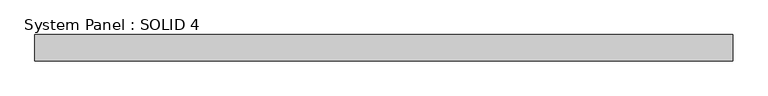
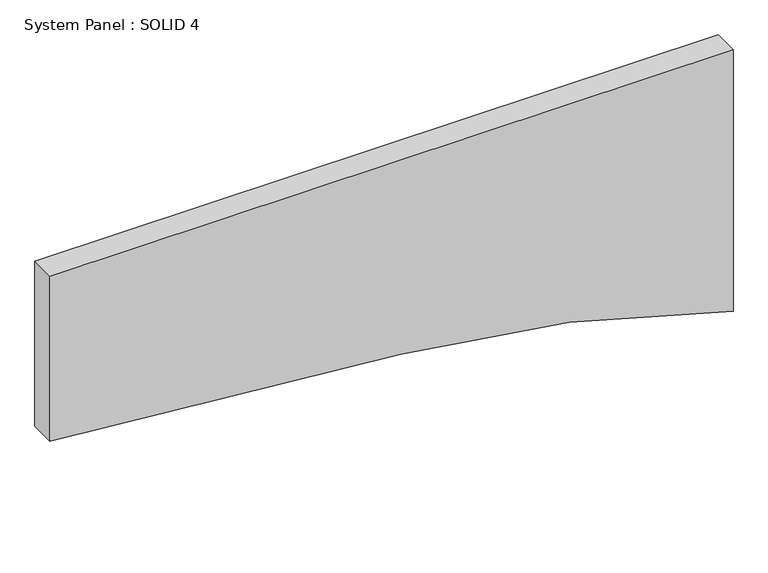
"""IFC4 building model written with IfcOpenShell, lengths in millimetres: plate geometry, System Panel : SOLID 4."""

from ifc_helpers import new_model, si_unit, point, frame, frame_2d, origin, place, context, project, spatial, polyline, circle_curve, trimmed, segment, composite_curve, outline, extrude, source, transform, mapped, element, save


def system_panel_solid_4_e6cdea54(model_context):
    return source(origin(), model_context, "Body", "SweptSolid", [
        extrude(outline(composite_curve([segment(trimmed(circle_curve(frame_2d((-4003.2844069, -340.9685979)), 4238.8725831), [point((219.4579863, 28.4734905))], [point((0.0, 1052.5))], True, "CARTESIAN"), True, "CONTINUOUS"), segment(polyline([(0.0, 1052.5), (852.2367, 1052.5), (852.2367, -1052.5), (314.0309123, -1052.5), (219.4579863, 28.4734905)]), True, "CONTINUOUS")], self_intersect=False)), frame((0.0, 80.0, 0.0), z_axis=(0.0, 1.0, 0.0), x_axis=(0.0, 0.0, 1.0)), (0.0, 0.0, 1.0), 80.0),
    ])


if __name__ == "__main__":
    model = new_model("IFC4")
    model_context = context("Model", 3, world=origin())
    ifc_project = project(units=[si_unit("LENGTHUNIT", "METRE", prefix="MILLI")], contexts=[model_context])
    site = spatial("IfcSite", under=ifc_project)
    building = spatial("IfcBuilding", under=site)
    placement = place(None, origin())
    system_panel_solid_4_shape = system_panel_solid_4_e6cdea54(model_context)
    element("IfcPlate", 1, ObjectType="System Panel : SOLID 4", at=placement, inside=building, context=model_context, shape_type="MappedRepresentation", body=[
        mapped(system_panel_solid_4_shape, transform((0.0, 0.0, 0.0), x_axis=(1.0, 0.0, 0.0), y_axis=(0.0, 1.0, 0.0), z_axis=(0.0, 0.0, 1.0))),
    ])
    save(model, "model.ifc")
